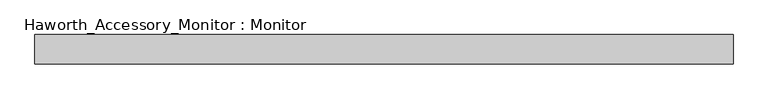
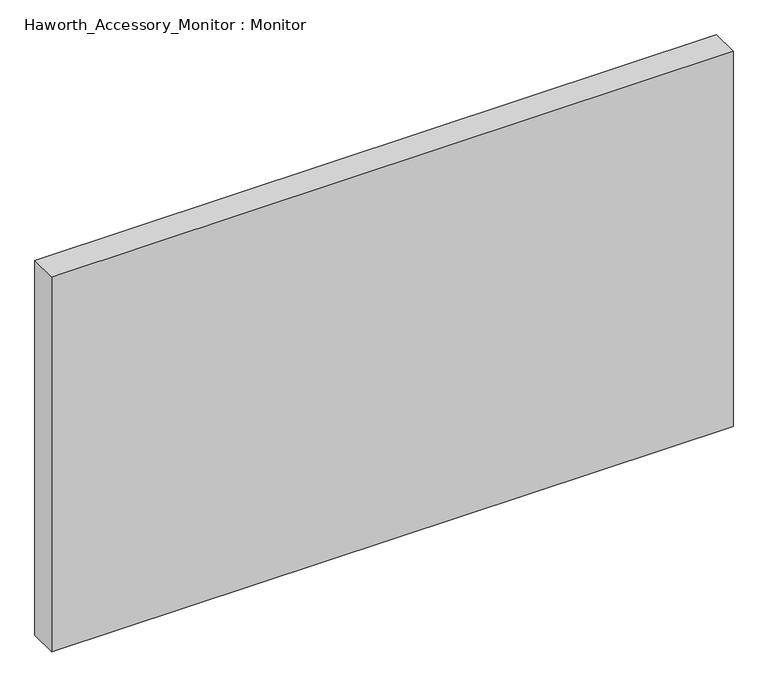
"""IFC4 building model written with IfcOpenShell, lengths in millimetres: furniture geometry, Haworth_Accessory_Monitor : Monitor."""

from ifc_helpers import new_model, si_unit, origin, origin_with_axes, place, context, project, spatial, polyline, outline, extrude, source, transform, mapped, element, save


def haworth_accessory_monitor_monitor_57d6325a(model_context):
    return source(origin(), model_context, "Body", "SweptSolid", [
        extrude(outline(polyline([(1104.6528718, -12.7), (-95.4971282, -12.7), (-95.4971282, 38.1), (1104.6528718, 38.1), (1104.6528718, -12.7)])), origin_with_axes(), (0.0, 0.0, 1.0), 698.5),
    ])


if __name__ == "__main__":
    model = new_model("IFC4")
    model_context = context("Model", 3, world=origin())
    ifc_project = project(units=[si_unit("LENGTHUNIT", "METRE", prefix="MILLI")], contexts=[model_context])
    site = spatial("IfcSite", under=ifc_project)
    building = spatial("IfcBuilding", under=site)
    placement = place(None, origin())
    haworth_accessory_monitor_monitor_shape = haworth_accessory_monitor_monitor_57d6325a(model_context)
    element("IfcFurniture", 1, ObjectType="Haworth_Accessory_Monitor : Monitor", at=placement, inside=building, context=model_context, shape_type="MappedRepresentation", body=[
        mapped(haworth_accessory_monitor_monitor_shape, transform((0.0, 0.0, 0.0), x_axis=(1.0, 0.0, 0.0), y_axis=(0.0, 1.0, 0.0), z_axis=(0.0, 0.0, 1.0))),
    ])
    save(model, "model.ifc")
